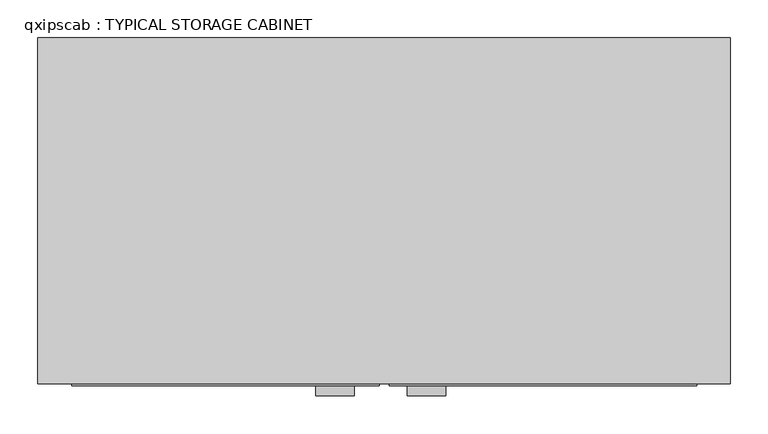
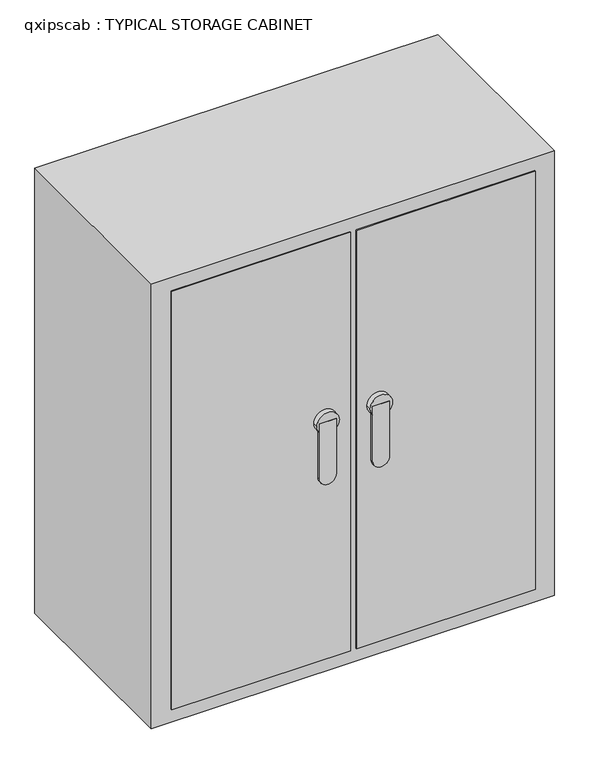
"""IFC4 building model written with IfcOpenShell, lengths in millimetres: proxy geometry, qxipscab : TYPICAL STORAGE CABINET."""

import ifcopenshell
import ifcopenshell.guid

model = None  # the IFC model being written
_history = None  # IfcOwnerHistory: only IFC2X3 demands one
_inside = {}  # id of a spatial element -> (the spatial element, [elements in it])
_under = {}  # id of a project, library or spatial element -> (it, [spatial elements below it])
_declared = {}  # id of a project -> (the project, [libraries it declares])
_typed = {}  # id of a type object -> (the type object, [elements of that type])
_made_of = {}  # id of a material, layer set ... -> (it, [elements and type objects made of it])


def new_model(schema):
    """Start an empty IFC model of exactly this schema.

    Asked for "IFC4X3", IfcOpenShell would pick the latest addendum, in which some entities
    have other attributes; the version numbers below select the first issue.
    IFC2X3 requires an IfcOwnerHistory on every rooted entity: one is made here for all.
    """
    global model, _history
    if schema == "IFC4X3":
        model = ifcopenshell.file(schema_version=(4, 3, 0, 0))
    else:
        model = ifcopenshell.file(schema=schema)
    _inside.clear()
    _under.clear()
    _declared.clear()
    _typed.clear()
    _made_of.clear()
    _history = None
    if model.schema == "IFC2X3":
        org = make("IfcOrganization", Name="unknown")
        user = make(
            "IfcPersonAndOrganization",
            ThePerson=make("IfcPerson", FamilyName="unknown"),
            TheOrganization=org,
        )
        app = make(
            "IfcApplication",
            ApplicationDeveloper=org,
            Version="unknown",
            ApplicationFullName="unknown",
            ApplicationIdentifier="unknown",
        )
        _history = make(
            "IfcOwnerHistory",
            OwningUser=user,
            OwningApplication=app,
            ChangeAction="ADDED",
            CreationDate=0,
        )
    return model


def make(cls, **values):
    """One entity of the class cls with the attributes given. An attribute that is None is left unset."""
    return model.create_entity(
        cls, **{name: value for name, value in values.items() if value is not None}
    )


def rooted(cls, **values):
    """An entity with a GlobalId (a new one), such as an element, a storey or a relation."""
    return make(cls, GlobalId=ifcopenshell.guid.new(), OwnerHistory=_history, **values)


def si_unit(unit_type, name, prefix=None):
    """IfcSIUnit, for example si_unit("LENGTHUNIT", "METRE", prefix="MILLI")."""
    return make("IfcSIUnit", UnitType=unit_type, Prefix=prefix, Name=name)


def assignment(units):
    """IfcUnitAssignment: the units of a project."""
    return None if units is None else make("IfcUnitAssignment", Units=units)


def point(xyz):
    """IfcCartesianPoint."""
    return None if xyz is None else make("IfcCartesianPoint", Coordinates=xyz)


def direction(xyz):
    """IfcDirection."""
    return None if xyz is None else make("IfcDirection", DirectionRatios=xyz)


def frame(location, z_axis=None, x_axis=None):
    """IfcAxis2Placement3D, a coordinate frame: its origin and axes. An axis left out is left unset."""
    return make(
        "IfcAxis2Placement3D",
        Location=point(location),
        Axis=direction(z_axis),
        RefDirection=direction(x_axis),
    )


def frame_2d(location, x_axis=None):
    """IfcAxis2Placement2D, a coordinate frame in the plane: its origin and x axis."""
    return make(
        "IfcAxis2Placement2D", Location=point(location), RefDirection=direction(x_axis)
    )


def origin():
    """The frame at (0, 0, 0) with its axes left unset."""
    return frame((0.0, 0.0, 0.0))


def origin_with_axes():
    """The frame at (0, 0, 0) with the z axis (0, 0, 1) and the x axis (1, 0, 0) written out."""
    return frame((0.0, 0.0, 0.0), z_axis=(0.0, 0.0, 1.0), x_axis=(1.0, 0.0, 0.0))


def place(relative_to, where):
    """IfcLocalPlacement: puts the frame where relative to a parent placement (None: the world)."""
    return make(
        "IfcLocalPlacement", PlacementRelTo=relative_to, RelativePlacement=where
    )


def context(
    kind, dimensions, precision=None, world=None, true_north=None, identifier=None
):
    """IfcGeometricRepresentationContext, for example the 3D "Model" context."""
    return make(
        "IfcGeometricRepresentationContext",
        ContextIdentifier=identifier,
        ContextType=kind,
        CoordinateSpaceDimension=dimensions,
        Precision=precision,
        WorldCoordinateSystem=world,
        TrueNorth=true_north,
    )


def project(units=None, contexts=None):
    """IfcProject with its units and contexts."""
    return rooted(
        "IfcProject",
        Name="project",
        RepresentationContexts=contexts,
        UnitsInContext=assignment(units),
    )


def spatial(cls, under=None, at=None, **own):
    """A site, building, storey or space (cls), placed at a placement, below another one or the project."""
    s = rooted(cls, ObjectPlacement=at, **own)
    if under is not None:
        _under.setdefault(under.id(), (under, []))[1].append(s)
    return s


def polyline(points):
    """IfcPolyline through the points."""
    return make("IfcPolyline", Points=[point(p) for p in points])


def circle_curve(where, radius):
    """IfcCircle in the frame where."""
    return make("IfcCircle", Position=where, Radius=radius)


def trimmed(basis, trim1, trim2, sense, master):
    """IfcTrimmedCurve: the piece of a basis curve between two trims."""
    return make(
        "IfcTrimmedCurve",
        BasisCurve=basis,
        Trim1=trim1,
        Trim2=trim2,
        SenseAgreement=sense,
        MasterRepresentation=master,
    )


def segment(curve, same_sense, transition):
    """IfcCompositeCurveSegment."""
    return make(
        "IfcCompositeCurveSegment",
        Transition=transition,
        SameSense=same_sense,
        ParentCurve=curve,
    )


def composite_curve(segments, self_intersect=None):
    """IfcCompositeCurve: segments joined end to end."""
    return make("IfcCompositeCurve", Segments=segments, SelfIntersect=self_intersect)


def outline(outer, holes=None, kind="AREA"):
    """IfcArbitraryClosedProfileDef: a profile drawn as a closed curve; with holes, ...WithVoids."""
    if holes is None:
        return make("IfcArbitraryClosedProfileDef", ProfileType=kind, OuterCurve=outer)
    return make(
        "IfcArbitraryProfileDefWithVoids",
        ProfileType=kind,
        OuterCurve=outer,
        InnerCurves=holes,
    )


def extrude(swept, where, along, depth):
    """IfcExtrudedAreaSolid: the profile swept, set in the frame where, extruded along a direction by depth."""
    return make(
        "IfcExtrudedAreaSolid",
        SweptArea=swept,
        Position=where,
        ExtrudedDirection=direction(along),
        Depth=depth,
    )


def shape(context_of_items, identifier, shape_type, items):
    """IfcShapeRepresentation: the items that make up one representation, for example the "Body"."""
    return make(
        "IfcShapeRepresentation",
        ContextOfItems=context_of_items,
        RepresentationIdentifier=identifier,
        RepresentationType=shape_type,
        Items=items,
    )


def source(mapping_origin, context_of_items, identifier, shape_type, items):
    """IfcRepresentationMap: a shape defined once, which mapped items show again and again."""
    return make(
        "IfcRepresentationMap",
        MappingOrigin=mapping_origin,
        MappedRepresentation=shape(context_of_items, identifier, shape_type, items),
    )


def transform(
    local_origin,
    x_axis=None,
    y_axis=None,
    z_axis=None,
    scale=None,
    scale2=None,
    scale3=None,
    uniform=True,
):
    """IfcCartesianTransformationOperator3D, or its non-uniform kind. x_axis, y_axis, z_axis: its Axis1, 2, 3."""
    if uniform:
        return make(
            "IfcCartesianTransformationOperator3D",
            Axis1=direction(x_axis),
            Axis2=direction(y_axis),
            LocalOrigin=point(local_origin),
            Scale=scale,
            Axis3=direction(z_axis),
        )
    return make(
        "IfcCartesianTransformationOperator3DnonUniform",
        Axis1=direction(x_axis),
        Axis2=direction(y_axis),
        LocalOrigin=point(local_origin),
        Scale=scale,
        Axis3=direction(z_axis),
        Scale2=scale2,
        Scale3=scale3,
    )


def mapped(mapping_source, mapping_target):
    """IfcMappedItem: shows the shape of a source again, moved by a transform."""
    return make(
        "IfcMappedItem", MappingSource=mapping_source, MappingTarget=mapping_target
    )


def made_of(thing, what):
    """Note that an element or type object is made of a material, layer set ...; save() writes the relation."""
    if what is not None:
        _made_of.setdefault(what.id(), (what, []))[1].append(thing)
    return thing


def element(
    cls,
    number,
    at=None,
    inside=None,
    cuts=None,
    type_object=None,
    material=None,
    context=None,
    identifier="Body",
    shape_type=None,
    held_by="IfcProductDefinitionShape",
    body=None,
    shapes=None,
    **own,
):
    """One element of the class cls, such as IfcWall. Its Tag is "e" and its number.

    at: its placement. inside: the storey or other place that contains it. cuts: it is an
    opening in that element (IfcRelVoidsElement). A single representation is given by context,
    identifier, shape_type and body (its items); several are given by shapes. held_by: the class
    of the entity that holds the representations. save() writes the other relations.
    """
    e = rooted(cls, Tag="e%d" % number, ObjectPlacement=at, **own)
    if body is not None:
        shapes = [shape(context, identifier, shape_type, body)]
    if shapes is not None:
        e.Representation = make(held_by, Representations=shapes)
    if inside is not None:
        _inside.setdefault(inside.id(), (inside, []))[1].append(e)
    if cuts is not None:
        rooted(
            "IfcRelVoidsElement", RelatingBuildingElement=cuts, RelatedOpeningElement=e
        )
    if type_object is not None:
        _typed.setdefault(type_object.id(), (type_object, []))[1].append(e)
    return made_of(e, material)


def aggregate(whole, parts):
    """IfcRelAggregates: a whole, such as a stair, and the parts it consists of."""
    return rooted("IfcRelAggregates", RelatingObject=whole, RelatedObjects=parts)


def save(model, path):
    """Write the relations noted so far, then the file.

    IfcRelAggregates (storeys below a building ...), IfcRelContainedInSpatialStructure (elements
    in a storey), IfcRelDefinesByType, IfcRelAssociatesMaterial and IfcRelDeclares: one each for
    every whole, place, type object, material and project.
    """
    for whole, parts in _under.values():
        aggregate(whole, parts)
    for where, things in _inside.values():
        rooted(
            "IfcRelContainedInSpatialStructure",
            RelatedElements=things,
            RelatingStructure=where,
        )
    for kind, things in _typed.values():
        rooted("IfcRelDefinesByType", RelatedObjects=things, RelatingType=kind)
    for what, things in _made_of.values():
        rooted("IfcRelAssociatesMaterial", RelatedObjects=things, RelatingMaterial=what)
    for by, libraries in _declared.values():
        rooted("IfcRelDeclares", RelatingContext=by, RelatedDefinitions=libraries)
    model.write(path)


def qxipscab_typical_storage_cabinet_b4787472(model_context):
    return source(origin(), model_context, "Body", "SweptSolid", [
        extrude(outline(composite_curve([segment(polyline([(477.4182593, 195.9428622), (609.6, 195.9428622), (609.6, 157.8428622), (477.4182593, 157.8428622)]), True, "CONTINUOUS"), segment(trimmed(circle_curve(frame_2d((477.4182593, 176.8928622)), 19.05), [point((477.4182593, 157.8428622))], [point((477.4182593, 195.9428622))], False, "CARTESIAN"), True, "CONTINUOUS")], self_intersect=False)), frame((0.0, -924.686081, 0.0), z_axis=(0.0, 1.0, 0.0), x_axis=(0.0, 0.0, 1.0)), (0.0, 0.0, 1.0), 6.1643477),
        extrude(outline(composite_curve([segment(polyline([(477.4182593, 316.5928622), (609.6, 316.5928622), (609.6, 278.4928622), (477.4182593, 278.4928622)]), True, "CONTINUOUS"), segment(trimmed(circle_curve(frame_2d((477.4182593, 297.5428622)), 19.05), [point((477.4182593, 278.4928622))], [point((477.4182593, 316.5928622))], False, "CARTESIAN"), True, "CONTINUOUS")], self_intersect=False)), frame((0.0, -924.686081, 0.0), z_axis=(0.0, 1.0, 0.0), x_axis=(0.0, 0.0, 1.0)), (0.0, 0.0, 1.0), 6.1643477),
        extrude(outline(composite_curve([segment(trimmed(circle_curve(frame_2d((604.8305492, 297.9621029)), 25.4), [point((604.8305492, 272.5621029))], [point((604.8305492, 323.3621029))], False, "CARTESIAN"), True, "CONTINUOUS"), segment(trimmed(circle_curve(frame_2d((604.8305492, 297.9621029)), 25.4), [point((604.8305492, 323.3621029))], [point((604.8305492, 272.5621029))], False, "CARTESIAN"), True, "CONTINUOUS")], self_intersect=False)), frame((0.0, -924.686081, 0.0), z_axis=(0.0, 1.0, 0.0), x_axis=(0.0, 0.0, 1.0)), (0.0, 0.0, 1.0), 16.880155),
        extrude(outline(composite_curve([segment(trimmed(circle_curve(frame_2d((604.8305492, 177.3121029)), 25.4), [point((604.8305492, 151.9121029))], [point((604.8305492, 202.7121029))], False, "CARTESIAN"), True, "CONTINUOUS"), segment(trimmed(circle_curve(frame_2d((604.8305492, 177.3121029)), 25.4), [point((604.8305492, 202.7121029))], [point((604.8305492, 151.9121029))], False, "CARTESIAN"), True, "CONTINUOUS")], self_intersect=False)), frame((0.0, -924.686081, 0.0), z_axis=(0.0, 1.0, 0.0), x_axis=(0.0, 0.0, 1.0)), (0.0, 0.0, 1.0), 16.880155),
        extrude(outline(polyline([(235.9587085, -911.9851145), (-170.4412915, -911.9851145), (-170.4412915, -795.3896387), (235.9587085, -795.3896387), (235.9587085, -911.9851145)])), frame((0.0, 0.0, 30.8689584), z_axis=(0.0, 0.0, 1.0), x_axis=(1.0, 0.0, 0.0)), (0.0, 0.0, 1.0), 1003.3),
        extrude(outline(polyline([(655.0587085, -911.9851145), (248.6587085, -911.9851145), (248.6587085, -795.3896387), (655.0587085, -795.3896387), (655.0587085, -911.9851145)])), frame((0.0, 0.0, 30.8689584), z_axis=(0.0, 0.0, 1.0), x_axis=(1.0, 0.0, 0.0)), (0.0, 0.0, 1.0), 1003.3),
        extrude(outline(polyline([(699.1803622, -909.4570561), (-215.2196378, -909.4570561), (-215.2196378, -452.2570561), (699.1803622, -452.2570561), (699.1803622, -909.4570561)])), origin_with_axes(), (0.0, 0.0, 1.0), 1066.8),
    ])


if __name__ == "__main__":
    model = new_model("IFC4")
    model_context = context("Model", 3, world=origin())
    ifc_project = project(units=[si_unit("LENGTHUNIT", "METRE", prefix="MILLI")], contexts=[model_context])
    site = spatial("IfcSite", under=ifc_project)
    building = spatial("IfcBuilding", under=site)
    placement = place(None, origin())
    qxipscab_typical_storage_cabinet_shape = qxipscab_typical_storage_cabinet_b4787472(model_context)
    element("IfcBuildingElementProxy", 1, Name="qxipscab : TYPICAL STORAGE CABINET", ObjectType="qxipscab : TYPICAL STORAGE CABINET", at=placement, inside=building, context=model_context, shape_type="MappedRepresentation", body=[
        mapped(qxipscab_typical_storage_cabinet_shape, transform((0.0, 0.0, 0.0), x_axis=(1.0, 0.0, 0.0), y_axis=(0.0, 1.0, 0.0), z_axis=(0.0, 0.0, 1.0))),
    ])
    save(model, "model.ifc")
